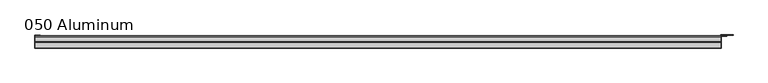
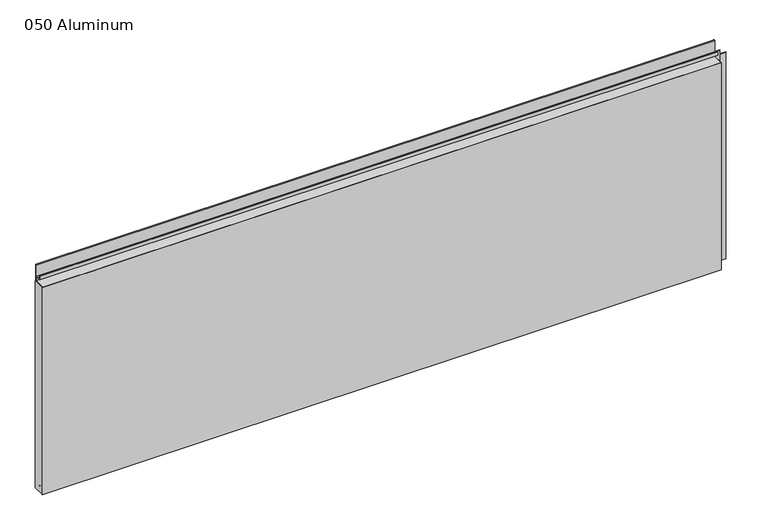
"""IFC4 building model written with IfcOpenShell, lengths in millimetres: plate geometry, 050 Aluminum."""

import ifcopenshell
import ifcopenshell.guid

model = None  # the IFC model being written
_history = None  # IfcOwnerHistory: only IFC2X3 demands one
_inside = {}  # id of a spatial element -> (the spatial element, [elements in it])
_under = {}  # id of a project, library or spatial element -> (it, [spatial elements below it])
_declared = {}  # id of a project -> (the project, [libraries it declares])
_typed = {}  # id of a type object -> (the type object, [elements of that type])
_made_of = {}  # id of a material, layer set ... -> (it, [elements and type objects made of it])


def new_model(schema):
    """Start an empty IFC model of exactly this schema.

    Asked for "IFC4X3", IfcOpenShell would pick the latest addendum, in which some entities
    have other attributes; the version numbers below select the first issue.
    IFC2X3 requires an IfcOwnerHistory on every rooted entity: one is made here for all.
    """
    global model, _history
    if schema == "IFC4X3":
        model = ifcopenshell.file(schema_version=(4, 3, 0, 0))
    else:
        model = ifcopenshell.file(schema=schema)
    _inside.clear()
    _under.clear()
    _declared.clear()
    _typed.clear()
    _made_of.clear()
    _history = None
    if model.schema == "IFC2X3":
        org = make("IfcOrganization", Name="unknown")
        user = make(
            "IfcPersonAndOrganization",
            ThePerson=make("IfcPerson", FamilyName="unknown"),
            TheOrganization=org,
        )
        app = make(
            "IfcApplication",
            ApplicationDeveloper=org,
            Version="unknown",
            ApplicationFullName="unknown",
            ApplicationIdentifier="unknown",
        )
        _history = make(
            "IfcOwnerHistory",
            OwningUser=user,
            OwningApplication=app,
            ChangeAction="ADDED",
            CreationDate=0,
        )
    return model


def make(cls, **values):
    """One entity of the class cls with the attributes given. An attribute that is None is left unset."""
    return model.create_entity(
        cls, **{name: value for name, value in values.items() if value is not None}
    )


def rooted(cls, **values):
    """An entity with a GlobalId (a new one), such as an element, a storey or a relation."""
    return make(cls, GlobalId=ifcopenshell.guid.new(), OwnerHistory=_history, **values)


def si_unit(unit_type, name, prefix=None):
    """IfcSIUnit, for example si_unit("LENGTHUNIT", "METRE", prefix="MILLI")."""
    return make("IfcSIUnit", UnitType=unit_type, Prefix=prefix, Name=name)


def assignment(units):
    """IfcUnitAssignment: the units of a project."""
    return None if units is None else make("IfcUnitAssignment", Units=units)


def point(xyz):
    """IfcCartesianPoint."""
    return None if xyz is None else make("IfcCartesianPoint", Coordinates=xyz)


def direction(xyz):
    """IfcDirection."""
    return None if xyz is None else make("IfcDirection", DirectionRatios=xyz)


def frame(location, z_axis=None, x_axis=None):
    """IfcAxis2Placement3D, a coordinate frame: its origin and axes. An axis left out is left unset."""
    return make(
        "IfcAxis2Placement3D",
        Location=point(location),
        Axis=direction(z_axis),
        RefDirection=direction(x_axis),
    )


def frame_2d(location, x_axis=None):
    """IfcAxis2Placement2D, a coordinate frame in the plane: its origin and x axis."""
    return make(
        "IfcAxis2Placement2D", Location=point(location), RefDirection=direction(x_axis)
    )


def origin():
    """The frame at (0, 0, 0) with its axes left unset."""
    return frame((0.0, 0.0, 0.0))


def origin_with_axes():
    """The frame at (0, 0, 0) with the z axis (0, 0, 1) and the x axis (1, 0, 0) written out."""
    return frame((0.0, 0.0, 0.0), z_axis=(0.0, 0.0, 1.0), x_axis=(1.0, 0.0, 0.0))


def place(relative_to, where):
    """IfcLocalPlacement: puts the frame where relative to a parent placement (None: the world)."""
    return make(
        "IfcLocalPlacement", PlacementRelTo=relative_to, RelativePlacement=where
    )


def context(
    kind, dimensions, precision=None, world=None, true_north=None, identifier=None
):
    """IfcGeometricRepresentationContext, for example the 3D "Model" context."""
    return make(
        "IfcGeometricRepresentationContext",
        ContextIdentifier=identifier,
        ContextType=kind,
        CoordinateSpaceDimension=dimensions,
        Precision=precision,
        WorldCoordinateSystem=world,
        TrueNorth=true_north,
    )


def project(units=None, contexts=None):
    """IfcProject with its units and contexts."""
    return rooted(
        "IfcProject",
        Name="project",
        RepresentationContexts=contexts,
        UnitsInContext=assignment(units),
    )


def spatial(cls, under=None, at=None, **own):
    """A site, building, storey or space (cls), placed at a placement, below another one or the project."""
    s = rooted(cls, ObjectPlacement=at, **own)
    if under is not None:
        _under.setdefault(under.id(), (under, []))[1].append(s)
    return s


def polyline(points):
    """IfcPolyline through the points."""
    return make("IfcPolyline", Points=[point(p) for p in points])


def circle_curve(where, radius):
    """IfcCircle in the frame where."""
    return make("IfcCircle", Position=where, Radius=radius)


def trimmed(basis, trim1, trim2, sense, master):
    """IfcTrimmedCurve: the piece of a basis curve between two trims."""
    return make(
        "IfcTrimmedCurve",
        BasisCurve=basis,
        Trim1=trim1,
        Trim2=trim2,
        SenseAgreement=sense,
        MasterRepresentation=master,
    )


def segment(curve, same_sense, transition):
    """IfcCompositeCurveSegment."""
    return make(
        "IfcCompositeCurveSegment",
        Transition=transition,
        SameSense=same_sense,
        ParentCurve=curve,
    )


def composite_curve(segments, self_intersect=None):
    """IfcCompositeCurve: segments joined end to end."""
    return make("IfcCompositeCurve", Segments=segments, SelfIntersect=self_intersect)


def outline(outer, holes=None, kind="AREA"):
    """IfcArbitraryClosedProfileDef: a profile drawn as a closed curve; with holes, ...WithVoids."""
    if holes is None:
        return make("IfcArbitraryClosedProfileDef", ProfileType=kind, OuterCurve=outer)
    return make(
        "IfcArbitraryProfileDefWithVoids",
        ProfileType=kind,
        OuterCurve=outer,
        InnerCurves=holes,
    )


def extrude(swept, where, along, depth):
    """IfcExtrudedAreaSolid: the profile swept, set in the frame where, extruded along a direction by depth."""
    return make(
        "IfcExtrudedAreaSolid",
        SweptArea=swept,
        Position=where,
        ExtrudedDirection=direction(along),
        Depth=depth,
    )


def shape(context_of_items, identifier, shape_type, items):
    """IfcShapeRepresentation: the items that make up one representation, for example the "Body"."""
    return make(
        "IfcShapeRepresentation",
        ContextOfItems=context_of_items,
        RepresentationIdentifier=identifier,
        RepresentationType=shape_type,
        Items=items,
    )


def source(mapping_origin, context_of_items, identifier, shape_type, items):
    """IfcRepresentationMap: a shape defined once, which mapped items show again and again."""
    return make(
        "IfcRepresentationMap",
        MappingOrigin=mapping_origin,
        MappedRepresentation=shape(context_of_items, identifier, shape_type, items),
    )


def transform(
    local_origin,
    x_axis=None,
    y_axis=None,
    z_axis=None,
    scale=None,
    scale2=None,
    scale3=None,
    uniform=True,
):
    """IfcCartesianTransformationOperator3D, or its non-uniform kind. x_axis, y_axis, z_axis: its Axis1, 2, 3."""
    if uniform:
        return make(
            "IfcCartesianTransformationOperator3D",
            Axis1=direction(x_axis),
            Axis2=direction(y_axis),
            LocalOrigin=point(local_origin),
            Scale=scale,
            Axis3=direction(z_axis),
        )
    return make(
        "IfcCartesianTransformationOperator3DnonUniform",
        Axis1=direction(x_axis),
        Axis2=direction(y_axis),
        LocalOrigin=point(local_origin),
        Scale=scale,
        Axis3=direction(z_axis),
        Scale2=scale2,
        Scale3=scale3,
    )


def mapped(mapping_source, mapping_target):
    """IfcMappedItem: shows the shape of a source again, moved by a transform."""
    return make(
        "IfcMappedItem", MappingSource=mapping_source, MappingTarget=mapping_target
    )


def made_of(thing, what):
    """Note that an element or type object is made of a material, layer set ...; save() writes the relation."""
    if what is not None:
        _made_of.setdefault(what.id(), (what, []))[1].append(thing)
    return thing


def element(
    cls,
    number,
    at=None,
    inside=None,
    cuts=None,
    type_object=None,
    material=None,
    context=None,
    identifier="Body",
    shape_type=None,
    held_by="IfcProductDefinitionShape",
    body=None,
    shapes=None,
    **own,
):
    """One element of the class cls, such as IfcWall. Its Tag is "e" and its number.

    at: its placement. inside: the storey or other place that contains it. cuts: it is an
    opening in that element (IfcRelVoidsElement). A single representation is given by context,
    identifier, shape_type and body (its items); several are given by shapes. held_by: the class
    of the entity that holds the representations. save() writes the other relations.
    """
    e = rooted(cls, Tag="e%d" % number, ObjectPlacement=at, **own)
    if body is not None:
        shapes = [shape(context, identifier, shape_type, body)]
    if shapes is not None:
        e.Representation = make(held_by, Representations=shapes)
    if inside is not None:
        _inside.setdefault(inside.id(), (inside, []))[1].append(e)
    if cuts is not None:
        rooted(
            "IfcRelVoidsElement", RelatingBuildingElement=cuts, RelatedOpeningElement=e
        )
    if type_object is not None:
        _typed.setdefault(type_object.id(), (type_object, []))[1].append(e)
    return made_of(e, material)


def aggregate(whole, parts):
    """IfcRelAggregates: a whole, such as a stair, and the parts it consists of."""
    return rooted("IfcRelAggregates", RelatingObject=whole, RelatedObjects=parts)


def save(model, path):
    """Write the relations noted so far, then the file.

    IfcRelAggregates (storeys below a building ...), IfcRelContainedInSpatialStructure (elements
    in a storey), IfcRelDefinesByType, IfcRelAssociatesMaterial and IfcRelDeclares: one each for
    every whole, place, type object, material and project.
    """
    for whole, parts in _under.values():
        aggregate(whole, parts)
    for where, things in _inside.values():
        rooted(
            "IfcRelContainedInSpatialStructure",
            RelatedElements=things,
            RelatingStructure=where,
        )
    for kind, things in _typed.values():
        rooted("IfcRelDefinesByType", RelatedObjects=things, RelatingType=kind)
    for what, things in _made_of.values():
        rooted("IfcRelAssociatesMaterial", RelatedObjects=things, RelatingMaterial=what)
    for by, libraries in _declared.values():
        rooted("IfcRelDeclares", RelatingContext=by, RelatedDefinitions=libraries)
    model.write(path)


def plate_050_aluminum_69b4b56f(model_context):
    return source(origin(), model_context, "Body", "SweptSolid", [
        extrude(outline(polyline([(-950.43625, -2.5660257), (-950.43625, -34.7980001), (-951.7062499, -34.7980001), (-951.7062499, -1.2699999), (-937.5457494, -1.2699999), (-937.5457494, -2.5660257), (-950.43625, -2.5660257)])), origin_with_axes(), (0.0, 0.0, 1.0), 608.33),
        extrude(outline(composite_curve([segment(polyline([(-16.6765477, 13.1458337), (-16.6765477, 2.786437), (-17.9464915, 2.786437), (-17.9464915, 13.1323356)]), True, "CONTINUOUS"), segment(trimmed(circle_curve(frame_2d((-19.8514743, 13.124237)), 1.905), [point((-17.9464915, 13.1323356))], [point((-21.7564743, 13.124237))], True, "CARTESIAN"), True, "CONTINUOUS"), segment(polyline([(-21.7564743, 13.124237), (-21.7564743, 0.0), (-34.7980002, 0.0), (-34.7980002, 1.2693678), (-23.0264743, 1.2693678), (-23.0264743, 13.124237)]), True, "CONTINUOUS"), segment(trimmed(circle_curve(frame_2d((-19.8514743, 13.124237)), 3.175), [point((-23.0264743, 13.124237))], [point((-16.6765477, 13.1458337))], False, "CARTESIAN"), True, "CONTINUOUS")], self_intersect=False)), frame((-950.43625, 0.0, 0.0), z_axis=(1.0, 0.0, 0.0), x_axis=(0.0, 1.0, 0.0)), (0.0, 0.0, 1.0), 1888.1725),
        extrude(outline(composite_curve([segment(polyline([(-2.0574743, 656.7932001), (-2.0574743, 608.33), (-34.7980002, 608.33), (-34.7980002, 609.6000001), (-3.3274743, 609.6000001), (-3.3274743, 656.7932001)]), True, "CONTINUOUS"), segment(trimmed(circle_curve(frame_2d((-3.7084742, 656.7932001)), 0.3809999), [point((-3.3274743, 656.7932001))], [point((-4.0894742, 656.7932001))], True, "CARTESIAN"), True, "CONTINUOUS"), segment(polyline([(-4.0894742, 656.7932001), (-4.0894742, 622.3), (-20.4864742, 622.3), (-20.4864742, 633.6538), (-19.2164743, 633.6538), (-19.2164743, 623.57), (-5.3594742, 623.57), (-5.3594742, 656.7932001)]), True, "CONTINUOUS"), segment(trimmed(circle_curve(frame_2d((-3.7084742, 656.7932001)), 1.6509999), [point((-5.3594742, 656.7932001))], [point((-2.0574743, 656.7932001))], False, "CARTESIAN"), True, "CONTINUOUS")], self_intersect=False)), frame((-950.43625, 0.0, 0.0), z_axis=(1.0, 0.0, 0.0), x_axis=(0.0, 1.0, 0.0)), (0.0, 0.0, 1.0), 1888.1725),
        extrude(outline(polyline([(-951.70625, -36.068), (-951.70625, -34.7980001), (939.00625, -34.7980001), (939.00625, -36.068), (-951.70625, -36.068)])), origin_with_axes(), (0.0, 0.0, 1.0), 609.6),
        extrude(outline(polyline([(939.00625, -1.2699999), (939.00625, -34.7980002), (937.7362501, -34.7980002), (937.7362501, 0.0), (971.5183356, 0.0), (971.5183356, -1.2699999), (939.00625, -1.2699999)])), origin_with_axes(), (0.0, 0.0, 1.0), 608.33),
        extrude(outline(polyline([(937.73625, -3.3274743), (937.73625, -2.0574743), (953.4842499, -2.0574743), (953.4842499, -3.3274743), (937.73625, -3.3274743)])), origin_with_axes(), (0.0, 0.0, 1.0), 622.3),
    ])


if __name__ == "__main__":
    model = new_model("IFC4")
    model_context = context("Model", 3, world=origin())
    ifc_project = project(units=[si_unit("LENGTHUNIT", "METRE", prefix="MILLI")], contexts=[model_context])
    site = spatial("IfcSite", under=ifc_project)
    building = spatial("IfcBuilding", under=site)
    placement = place(None, origin())
    plate_050_aluminum_shape = plate_050_aluminum_69b4b56f(model_context)
    element("IfcPlate", 1, ObjectType="050 Aluminum", at=placement, inside=building, context=model_context, shape_type="MappedRepresentation", body=[
        mapped(plate_050_aluminum_shape, transform((0.0, 0.0, 0.0), x_axis=(1.0, 0.0, 0.0), y_axis=(0.0, 1.0, 0.0), z_axis=(0.0, 0.0, 1.0))),
    ])
    save(model, "model.ifc")
